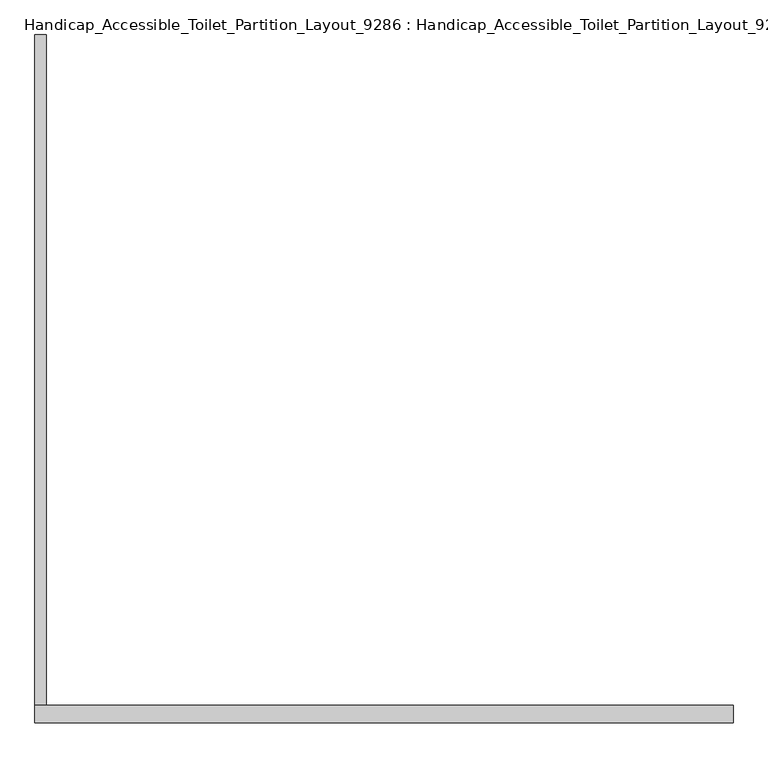
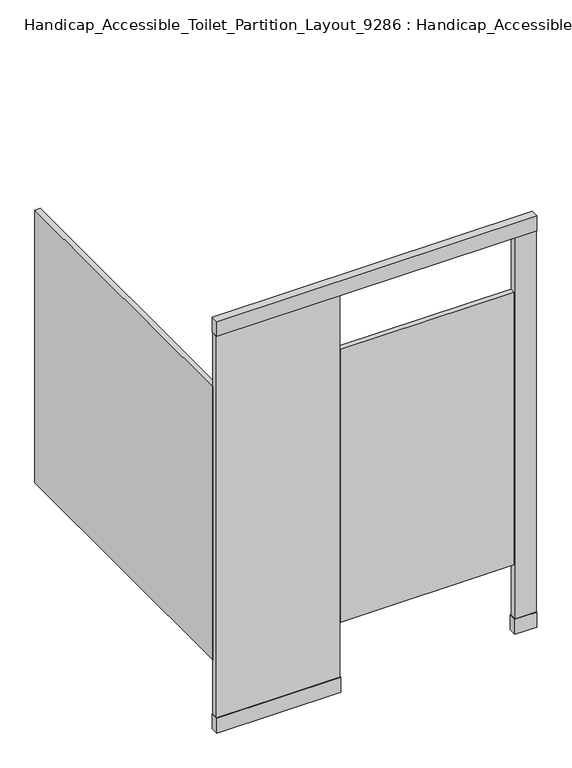
"""IFC4 building model written with IfcOpenShell, lengths in millimetres: proxy geometry, Handicap_Accessible_Toilet_Partition_Layout_9286 : Handicap_Accessible_Toilet_Partition_Layout_9286."""

from ifc_helpers import new_model, si_unit, frame, origin, origin_with_axes, place, context, project, spatial, polyline, outline, extrude, source, transform, mapped, element, save


def handicap_accessible_toilet_partition_layout_9286_handicap_94c9b02f(model_context):
    return source(origin(), model_context, "Body", "SweptSolid", [
        extrude(outline(polyline([(1549.4, -1597.025), (0.0, -1597.025), (0.0, -1558.925), (1549.4, -1558.925), (1549.4, -1597.025)])), frame((0.0, 0.0, 2032.0), z_axis=(0.0, 0.0, 1.0), x_axis=(1.0, 0.0, 0.0)), (0.0, 0.0, 1.0), 76.2),
        extrude(outline(polyline([(1549.4, -1593.85), (1447.8, -1593.85), (1447.8, -1562.1), (1549.4, -1562.1), (1549.4, -1593.85)])), frame((0.0, 0.0, 76.2), z_axis=(0.0, 0.0, 1.0), x_axis=(1.0, 0.0, 0.0)), (0.0, 0.0, 1.0), 1955.8),
        extrude(outline(polyline([(25.4, -1562.1), (0.0, -1562.1), (0.0, -69.85), (25.4, -69.85), (25.4, -1562.1)])), frame((0.0, 0.0, 355.6), z_axis=(0.0, 0.0, 1.0), x_axis=(1.0, 0.0, 0.0)), (0.0, 0.0, 1.0), 1397.0),
        extrude(outline(polyline([(596.9, -1593.85), (0.0, -1593.85), (0.0, -1562.1), (596.9, -1562.1), (596.9, -1593.85)])), frame((0.0, 0.0, 76.2), z_axis=(0.0, 0.0, 1.0), x_axis=(1.0, 0.0, 0.0)), (0.0, 0.0, 1.0), 1955.8),
        extrude(outline(polyline([(1441.45, -1593.85), (603.25, -1593.85), (603.25, -1568.45), (1441.45, -1568.45), (1441.45, -1593.85)])), frame((0.0, 0.0, 355.6), z_axis=(0.0, 0.0, 1.0), x_axis=(1.0, 0.0, 0.0)), (0.0, 0.0, 1.0), 1397.0),
        extrude(outline(polyline([(1549.4, -1597.025), (1444.625, -1597.025), (1444.625, -1558.925), (1549.4, -1558.925), (1549.4, -1597.025)])), origin_with_axes(), (0.0, 0.0, 1.0), 76.2),
        extrude(outline(polyline([(600.075, -1597.025), (0.0, -1597.025), (0.0, -1558.925), (600.075, -1558.925), (600.075, -1597.025)])), origin_with_axes(), (0.0, 0.0, 1.0), 76.2),
    ])


if __name__ == "__main__":
    model = new_model("IFC4")
    model_context = context("Model", 3, world=origin())
    ifc_project = project(units=[si_unit("LENGTHUNIT", "METRE", prefix="MILLI")], contexts=[model_context])
    site = spatial("IfcSite", under=ifc_project)
    building = spatial("IfcBuilding", under=site)
    placement = place(None, origin())
    handicap_accessible_toilet_partition_layout_9286_handicap_shape = handicap_accessible_toilet_partition_layout_9286_handicap_94c9b02f(model_context)
    element("IfcBuildingElementProxy", 1, Name="Handicap_Accessible_Toilet_Partition_Layout_9286 : Handicap_Accessible_Toilet_Partition_Layout_9286", ObjectType="Handicap_Accessible_Toilet_Partition_Layout_9286 : Handicap_Accessible_Toilet_Partition_Layout_9286", at=placement, inside=building, context=model_context, shape_type="MappedRepresentation", body=[
        mapped(handicap_accessible_toilet_partition_layout_9286_handicap_shape, transform((0.0, 0.0, 0.0), x_axis=(1.0, 0.0, 0.0), y_axis=(0.0, 1.0, 0.0), z_axis=(0.0, 0.0, 1.0))),
    ])
    save(model, "model.ifc")
